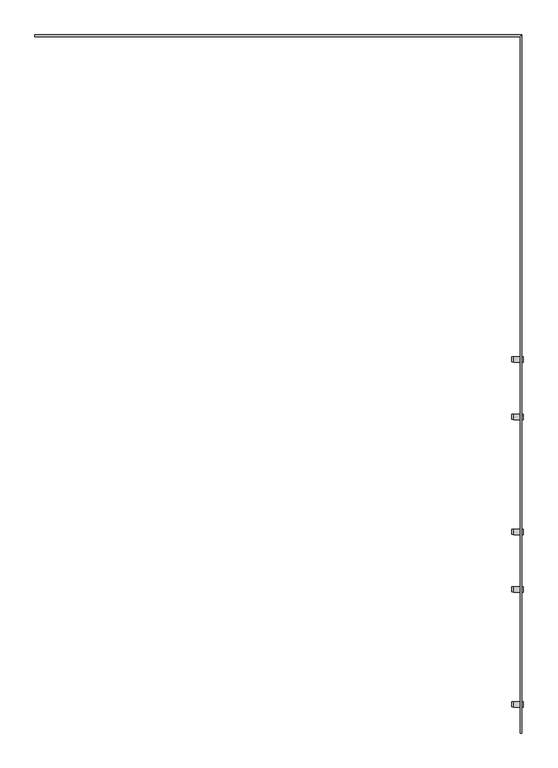
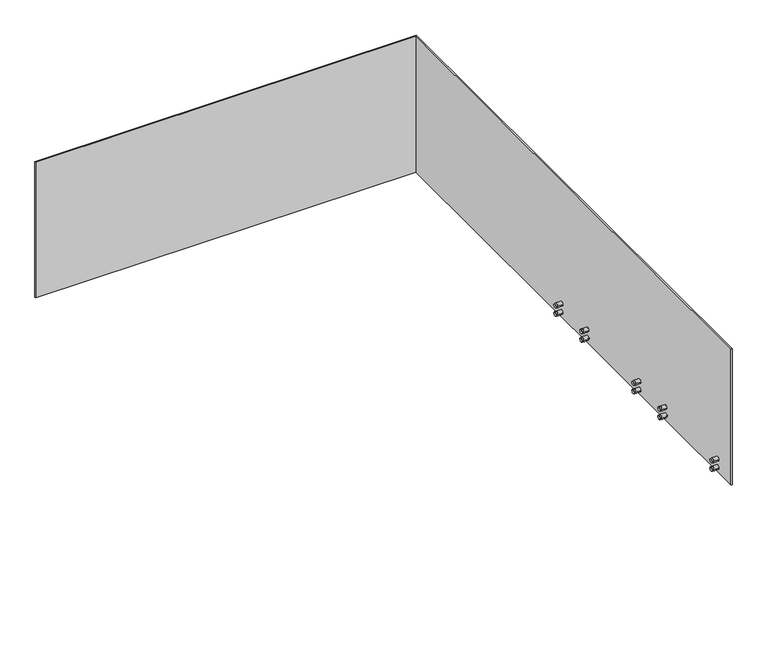
"""IFC4 building model written with IfcOpenShell, lengths in millimetres: railing geometry."""

from ifc_helpers import new_model, si_unit, frame, origin, place, context, project, spatial, circle_curve, faceted_brep, source, transform, mapped, element, save
from ifc_brep_helpers import plane_surface, cylinder_surface, advanced_brep


def railing_3c38474b(model_context):
    return source(origin(), model_context, "Body", "SolidModel", [
        faceted_brep([(-10121.0524845, -31763.3362173, 1100.0), (-10121.0524845, -31763.3362173, -200.0), (-10109.0524845, -31763.3362173, -200.0), (-10109.0524845, -31763.3362173, 1100.0), (-10109.0524845, -26804.8362173, -200.0), (-10109.0524845, -26804.8362173, 1100.0), (-10121.0524845, -26816.8362173, 1100.0), (-13567.5524845, -26816.8362173, 1100.0), (-13567.5524845, -26804.8362173, 1100.0), (-13567.5524845, -26804.8362173, -200.0), (-13567.5524845, -26816.8362173, -200.0), (-10121.0524845, -26816.8362173, -200.0)], [[[0, 1, 2, 3]], [[4, 5, 3, 2]], [[5, 6, 0, 3]], [[7, 8, 9, 10]], [[9, 8, 5, 4]], [[8, 7, 6, 5]], [[10, 9, 4, 11]], [[7, 10, 11, 6]], [[11, 4, 2, 1]], [[6, 11, 1, 0]]]),
        advanced_brep(
        [(-10100.5524845, -31579.1695506, -150.0), (-10100.5524845, -31539.1695506, -150.0), (-10167.5524845, -31579.1695506, -150.0), (-10167.5524845, -31539.1695506, -150.0), (-10167.5524845, -31576.6695506, -150.0), (-10167.5524845, -31541.6695506, -150.0), (-10107.5524845, -31579.1695506, -150.0), (-10107.5524845, -31539.1695506, -150.0), (-10122.5524845, -31539.1695506, -150.0), (-10122.5524845, -31579.1695506, -150.0), (-10182.5524845, -31576.6695506, -150.0), (-10182.5524845, -31541.6695506, -150.0), (-10107.5524845, -31569.1695506, -150.0), (-10107.5524845, -31549.1695506, -150.0), (-10122.5524845, -31569.1695506, -150.0), (-10122.5524845, -31549.1695506, -150.0)],
        [
            (0, 1, circle_curve(frame((-10100.5524845, -31559.1695506, -150.0), z_axis=(1.0, 0.0, 0.0), x_axis=(0.0, 1.0000000000000002, 0.0)), 20.0)),
            (1, 0, circle_curve(frame((-10100.5524845, -31559.1695506, -150.0), z_axis=(1.0, 0.0, 0.0), x_axis=(0.0, 1.0000000000000002, 0.0)), 20.0)),
            (2, 3, circle_curve(frame((-10167.5524845, -31559.1695506, -150.0), z_axis=(-1.0, 0.0, 0.0), x_axis=(0.0, 1.0000000000000002, 0.0)), 20.0)),
            (3, 2, circle_curve(frame((-10167.5524845, -31559.1695506, -150.0), z_axis=(-1.0, 0.0, 0.0), x_axis=(0.0, 1.0000000000000002, 0.0)), 20.0)),
            (4, 5, circle_curve(frame((-10167.5524845, -31559.1695506, -150.0), z_axis=(1.0, 0.0, 0.0), x_axis=(0.0, 1.0000000000000002, 0.0)), 17.5)),
            (5, 4, circle_curve(frame((-10167.5524845, -31559.1695506, -150.0), z_axis=(1.0, 0.0, 0.0), x_axis=(0.0, 1.0000000000000002, 0.0)), 17.5)),
            (0, 6),
            (6, 7, circle_curve(frame((-10107.5524845, -31559.1695506, -150.0), z_axis=(1.0, 0.0, 0.0), x_axis=(0.0, 1.0000000000000002, 0.0)), 20.0)),
            (7, 1),
            (3, 8),
            (8, 9, circle_curve(frame((-10122.5524845, -31559.1695506, -150.0), z_axis=(-1.0, 0.0, 0.0), x_axis=(0.0, 1.0000000000000002, 0.0)), 20.0)),
            (9, 2),
            (7, 6, circle_curve(frame((-10107.5524845, -31559.1695506, -150.0), z_axis=(1.0, 0.0, 0.0), x_axis=(0.0, 1.0000000000000002, 0.0)), 20.0)),
            (9, 8, circle_curve(frame((-10122.5524845, -31559.1695506, -150.0), z_axis=(-1.0, 0.0, 0.0), x_axis=(0.0, 1.0000000000000002, 0.0)), 20.0)),
            (10, 11, circle_curve(frame((-10182.5524845, -31559.1695506, -150.0), z_axis=(-1.0, 0.0, 0.0), x_axis=(0.0, 1.0000000000000002, 0.0)), 17.5)),
            (11, 10, circle_curve(frame((-10182.5524845, -31559.1695506, -150.0), z_axis=(-1.0, 0.0, 0.0), x_axis=(0.0, 1.0000000000000002, 0.0)), 17.5)),
            (11, 5),
            (4, 10),
            (12, 13, circle_curve(frame((-10107.5524845, -31559.1695506, -150.0), z_axis=(1.0, 0.0, 0.0), x_axis=(0.0, 1.0000000000000002, 0.0)), 10.0)),
            (13, 12, circle_curve(frame((-10107.5524845, -31559.1695506, -150.0), z_axis=(1.0, 0.0, 0.0), x_axis=(0.0, 1.0000000000000002, 0.0)), 10.0)),
            (14, 15, circle_curve(frame((-10122.5524845, -31559.1695506, -150.0), z_axis=(-1.0, 0.0, 0.0), x_axis=(0.0, 1.0000000000000002, 0.0)), 10.0)),
            (15, 14, circle_curve(frame((-10122.5524845, -31559.1695506, -150.0), z_axis=(-1.0, 0.0, 0.0), x_axis=(0.0, 1.0000000000000002, 0.0)), 10.0)),
            (13, 15),
            (14, 12),
        ],
        [
            plane_surface(frame((-10100.5524845, -31539.1695506, -150.0), z_axis=(1.0, 0.0, 0.0), x_axis=(0.0, 0.0, 1.0))),
            plane_surface(frame((-10167.5524845, -31539.1695506, -150.0), z_axis=(-1.0, 0.0, 0.0), x_axis=(0.0, 0.0, -1.0))),
            cylinder_surface(frame((-10167.5524845, -31559.1695506, -150.0), z_axis=(1.0000000000000002, 0.0, 0.0), x_axis=(0.0, 1.0000000000000002, 0.0)), 20.0),
            plane_surface(frame((-10182.5524845, -31541.6695506, -150.0), z_axis=(-1.0, 0.0, 0.0), x_axis=(0.0, 0.0, -1.0))),
            cylinder_surface(frame((-10182.5524845, -31559.1695506, -150.0), z_axis=(1.0000000000000002, 0.0, 0.0), x_axis=(0.0, 1.0000000000000002, 0.0)), 17.5),
            plane_surface(frame((-10107.5524845, -31549.1695506, -150.0), z_axis=(-1.0, 0.0, 0.0), x_axis=(0.0, 0.0, -1.0))),
            plane_surface(frame((-10122.5524845, -31549.1695506, -150.0), z_axis=(1.0, 0.0, 0.0), x_axis=(0.0, 0.0, 1.0))),
            cylinder_surface(frame((-10122.5524845, -31559.1695506, -150.0), z_axis=(-1.0000000000000002, 0.0, 0.0), x_axis=(0.0, 1.0000000000000002, 0.0)), 10.0),
        ],
        [
            (0, [[1, 2]]),
            (1, [[3, 4], [5, 6]]),
            (2, [[-1, 7, 8, 9]]),
            (2, [[-4, 10, 11, 12]]),
            (2, [[-2, -9, 13, -7]]),
            (2, [[-3, -12, 14, -10]]),
            (3, [[15, 16]]),
            (4, [[-16, 17, -5, 18]]),
            (4, [[-15, -18, -6, -17]]),
            (5, [[-8, -13], [19, 20]]),
            (6, [[-11, -14], [21, 22]]),
            (7, [[-20, 23, -21, 24]]),
            (7, [[-19, -24, -22, -23]]),
        ],
    ),
        advanced_brep(
        [(-10100.5524845, -31579.1695506, -70.0), (-10100.5524845, -31539.1695506, -70.0), (-10167.5524845, -31579.1695506, -70.0), (-10167.5524845, -31539.1695506, -70.0), (-10167.5524845, -31576.6695506, -70.0), (-10167.5524845, -31541.6695506, -70.0), (-10107.5524845, -31579.1695506, -70.0), (-10107.5524845, -31539.1695506, -70.0), (-10122.5524845, -31539.1695506, -70.0), (-10122.5524845, -31579.1695506, -70.0), (-10182.5524845, -31576.6695506, -70.0), (-10182.5524845, -31541.6695506, -70.0), (-10107.5524845, -31569.1695506, -70.0), (-10107.5524845, -31549.1695506, -70.0), (-10122.5524845, -31569.1695506, -70.0), (-10122.5524845, -31549.1695506, -70.0)],
        [
            (0, 1, circle_curve(frame((-10100.5524845, -31559.1695506, -70.0), z_axis=(1.0, 0.0, 0.0), x_axis=(0.0, 1.0000000000000002, 0.0)), 20.0)),
            (1, 0, circle_curve(frame((-10100.5524845, -31559.1695506, -70.0), z_axis=(1.0, 0.0, 0.0), x_axis=(0.0, 1.0000000000000002, 0.0)), 20.0)),
            (2, 3, circle_curve(frame((-10167.5524845, -31559.1695506, -70.0), z_axis=(-1.0, 0.0, 0.0), x_axis=(0.0, 1.0000000000000002, 0.0)), 20.0)),
            (3, 2, circle_curve(frame((-10167.5524845, -31559.1695506, -70.0), z_axis=(-1.0, 0.0, 0.0), x_axis=(0.0, 1.0000000000000002, 0.0)), 20.0)),
            (4, 5, circle_curve(frame((-10167.5524845, -31559.1695506, -70.0), z_axis=(1.0, 0.0, 0.0), x_axis=(0.0, 1.0000000000000002, 0.0)), 17.5)),
            (5, 4, circle_curve(frame((-10167.5524845, -31559.1695506, -70.0), z_axis=(1.0, 0.0, 0.0), x_axis=(0.0, 1.0000000000000002, 0.0)), 17.5)),
            (0, 6),
            (6, 7, circle_curve(frame((-10107.5524845, -31559.1695506, -70.0), z_axis=(1.0, 0.0, 0.0), x_axis=(0.0, 1.0000000000000002, 0.0)), 20.0)),
            (7, 1),
            (3, 8),
            (8, 9, circle_curve(frame((-10122.5524845, -31559.1695506, -70.0), z_axis=(-1.0, 0.0, 0.0), x_axis=(0.0, 1.0000000000000002, 0.0)), 20.0)),
            (9, 2),
            (7, 6, circle_curve(frame((-10107.5524845, -31559.1695506, -70.0), z_axis=(1.0, 0.0, 0.0), x_axis=(0.0, 1.0000000000000002, 0.0)), 20.0)),
            (9, 8, circle_curve(frame((-10122.5524845, -31559.1695506, -70.0), z_axis=(-1.0, 0.0, 0.0), x_axis=(0.0, 1.0000000000000002, 0.0)), 20.0)),
            (10, 11, circle_curve(frame((-10182.5524845, -31559.1695506, -70.0), z_axis=(-1.0, 0.0, 0.0), x_axis=(0.0, 1.0000000000000002, 0.0)), 17.5)),
            (11, 10, circle_curve(frame((-10182.5524845, -31559.1695506, -70.0), z_axis=(-1.0, 0.0, 0.0), x_axis=(0.0, 1.0000000000000002, 0.0)), 17.5)),
            (11, 5),
            (4, 10),
            (12, 13, circle_curve(frame((-10107.5524845, -31559.1695506, -70.0), z_axis=(1.0, 0.0, 0.0), x_axis=(0.0, 1.0000000000000002, 0.0)), 10.0)),
            (13, 12, circle_curve(frame((-10107.5524845, -31559.1695506, -70.0), z_axis=(1.0, 0.0, 0.0), x_axis=(0.0, 1.0000000000000002, 0.0)), 10.0)),
            (14, 15, circle_curve(frame((-10122.5524845, -31559.1695506, -70.0), z_axis=(-1.0, 0.0, 0.0), x_axis=(0.0, 1.0000000000000002, 0.0)), 10.0)),
            (15, 14, circle_curve(frame((-10122.5524845, -31559.1695506, -70.0), z_axis=(-1.0, 0.0, 0.0), x_axis=(0.0, 1.0000000000000002, 0.0)), 10.0)),
            (13, 15),
            (14, 12),
        ],
        [
            plane_surface(frame((-10100.5524845, -31539.1695506, -70.0), z_axis=(1.0, 0.0, 0.0), x_axis=(0.0, 0.0, 1.0))),
            plane_surface(frame((-10167.5524845, -31539.1695506, -70.0), z_axis=(-1.0, 0.0, 0.0), x_axis=(0.0, 0.0, -1.0))),
            cylinder_surface(frame((-10167.5524845, -31559.1695506, -70.0), z_axis=(1.0000000000000002, 0.0, 0.0), x_axis=(0.0, 1.0000000000000002, 0.0)), 20.0),
            plane_surface(frame((-10182.5524845, -31541.6695506, -70.0), z_axis=(-1.0, 0.0, 0.0), x_axis=(0.0, 0.0, -1.0))),
            cylinder_surface(frame((-10182.5524845, -31559.1695506, -70.0), z_axis=(1.0000000000000002, 0.0, 0.0), x_axis=(0.0, 1.0000000000000002, 0.0)), 17.5),
            plane_surface(frame((-10107.5524845, -31549.1695506, -70.0), z_axis=(-1.0, 0.0, 0.0), x_axis=(0.0, 0.0, -1.0))),
            plane_surface(frame((-10122.5524845, -31549.1695506, -70.0), z_axis=(1.0, 0.0, 0.0), x_axis=(0.0, 0.0, 1.0))),
            cylinder_surface(frame((-10122.5524845, -31559.1695506, -70.0), z_axis=(-1.0000000000000002, 0.0, 0.0), x_axis=(0.0, 1.0000000000000002, 0.0)), 10.0),
        ],
        [
            (0, [[1, 2]]),
            (1, [[3, 4], [5, 6]]),
            (2, [[-1, 7, 8, 9]]),
            (2, [[-4, 10, 11, 12]]),
            (2, [[-2, -9, 13, -7]]),
            (2, [[-3, -12, 14, -10]]),
            (3, [[15, 16]]),
            (4, [[-16, 17, -5, 18]]),
            (4, [[-15, -18, -6, -17]]),
            (5, [[-8, -13], [19, 20]]),
            (6, [[-11, -14], [21, 22]]),
            (7, [[-20, 23, -21, 24]]),
            (7, [[-19, -24, -22, -23]]),
        ],
    ),
        advanced_brep(
        [(-10100.5524845, -30762.502884, -150.0), (-10100.5524845, -30722.502884, -150.0), (-10167.5524845, -30762.502884, -150.0), (-10167.5524845, -30722.502884, -150.0), (-10167.5524845, -30760.002884, -150.0), (-10167.5524845, -30725.002884, -150.0), (-10107.5524845, -30762.502884, -150.0), (-10107.5524845, -30722.502884, -150.0), (-10122.5524845, -30722.502884, -150.0), (-10122.5524845, -30762.502884, -150.0), (-10182.5524845, -30760.002884, -150.0), (-10182.5524845, -30725.002884, -150.0), (-10107.5524845, -30752.502884, -150.0), (-10107.5524845, -30732.502884, -150.0), (-10122.5524845, -30752.502884, -150.0), (-10122.5524845, -30732.502884, -150.0)],
        [
            (0, 1, circle_curve(frame((-10100.5524845, -30742.502884, -150.0), z_axis=(1.0, 0.0, 0.0), x_axis=(0.0, 1.0000000000000002, 0.0)), 20.0)),
            (1, 0, circle_curve(frame((-10100.5524845, -30742.502884, -150.0), z_axis=(1.0, 0.0, 0.0), x_axis=(0.0, 1.0000000000000002, 0.0)), 20.0)),
            (2, 3, circle_curve(frame((-10167.5524845, -30742.502884, -150.0), z_axis=(-1.0, 0.0, 0.0), x_axis=(0.0, 1.0000000000000002, 0.0)), 20.0)),
            (3, 2, circle_curve(frame((-10167.5524845, -30742.502884, -150.0), z_axis=(-1.0, 0.0, 0.0), x_axis=(0.0, 1.0000000000000002, 0.0)), 20.0)),
            (4, 5, circle_curve(frame((-10167.5524845, -30742.502884, -150.0), z_axis=(1.0, 0.0, 0.0), x_axis=(0.0, 1.0000000000000002, 0.0)), 17.5)),
            (5, 4, circle_curve(frame((-10167.5524845, -30742.502884, -150.0), z_axis=(1.0, 0.0, 0.0), x_axis=(0.0, 1.0000000000000002, 0.0)), 17.5)),
            (0, 6),
            (6, 7, circle_curve(frame((-10107.5524845, -30742.502884, -150.0), z_axis=(1.0, 0.0, 0.0), x_axis=(0.0, 1.0000000000000002, 0.0)), 20.0)),
            (7, 1),
            (3, 8),
            (8, 9, circle_curve(frame((-10122.5524845, -30742.502884, -150.0), z_axis=(-1.0, 0.0, 0.0), x_axis=(0.0, 1.0000000000000002, 0.0)), 20.0)),
            (9, 2),
            (7, 6, circle_curve(frame((-10107.5524845, -30742.502884, -150.0), z_axis=(1.0, 0.0, 0.0), x_axis=(0.0, 1.0000000000000002, 0.0)), 20.0)),
            (9, 8, circle_curve(frame((-10122.5524845, -30742.502884, -150.0), z_axis=(-1.0, 0.0, 0.0), x_axis=(0.0, 1.0000000000000002, 0.0)), 20.0)),
            (10, 11, circle_curve(frame((-10182.5524845, -30742.502884, -150.0), z_axis=(-1.0, 0.0, 0.0), x_axis=(0.0, 1.0000000000000002, 0.0)), 17.5)),
            (11, 10, circle_curve(frame((-10182.5524845, -30742.502884, -150.0), z_axis=(-1.0, 0.0, 0.0), x_axis=(0.0, 1.0000000000000002, 0.0)), 17.5)),
            (11, 5),
            (4, 10),
            (12, 13, circle_curve(frame((-10107.5524845, -30742.502884, -150.0), z_axis=(1.0, 0.0, 0.0), x_axis=(0.0, 1.0000000000000002, 0.0)), 10.0)),
            (13, 12, circle_curve(frame((-10107.5524845, -30742.502884, -150.0), z_axis=(1.0, 0.0, 0.0), x_axis=(0.0, 1.0000000000000002, 0.0)), 10.0)),
            (14, 15, circle_curve(frame((-10122.5524845, -30742.502884, -150.0), z_axis=(-1.0, 0.0, 0.0), x_axis=(0.0, 1.0000000000000002, 0.0)), 10.0)),
            (15, 14, circle_curve(frame((-10122.5524845, -30742.502884, -150.0), z_axis=(-1.0, 0.0, 0.0), x_axis=(0.0, 1.0000000000000002, 0.0)), 10.0)),
            (13, 15),
            (14, 12),
        ],
        [
            plane_surface(frame((-10100.5524845, -30722.502884, -150.0), z_axis=(1.0, 0.0, 0.0), x_axis=(0.0, 0.0, 1.0))),
            plane_surface(frame((-10167.5524845, -30722.502884, -150.0), z_axis=(-1.0, 0.0, 0.0), x_axis=(0.0, 0.0, -1.0))),
            cylinder_surface(frame((-10167.5524845, -30742.502884, -150.0), z_axis=(1.0000000000000002, 0.0, 0.0), x_axis=(0.0, 1.0000000000000002, 0.0)), 20.0),
            plane_surface(frame((-10182.5524845, -30725.002884, -150.0), z_axis=(-1.0, 0.0, 0.0), x_axis=(0.0, 0.0, -1.0))),
            cylinder_surface(frame((-10182.5524845, -30742.502884, -150.0), z_axis=(1.0000000000000002, 0.0, 0.0), x_axis=(0.0, 1.0000000000000002, 0.0)), 17.5),
            plane_surface(frame((-10107.5524845, -30732.502884, -150.0), z_axis=(-1.0, 0.0, 0.0), x_axis=(0.0, 0.0, -1.0))),
            plane_surface(frame((-10122.5524845, -30732.502884, -150.0), z_axis=(1.0, 0.0, 0.0), x_axis=(0.0, 0.0, 1.0))),
            cylinder_surface(frame((-10122.5524845, -30742.502884, -150.0), z_axis=(-1.0000000000000002, 0.0, 0.0), x_axis=(0.0, 1.0000000000000002, 0.0)), 10.0),
        ],
        [
            (0, [[1, 2]]),
            (1, [[3, 4], [5, 6]]),
            (2, [[-1, 7, 8, 9]]),
            (2, [[-4, 10, 11, 12]]),
            (2, [[-2, -9, 13, -7]]),
            (2, [[-3, -12, 14, -10]]),
            (3, [[15, 16]]),
            (4, [[-16, 17, -5, 18]]),
            (4, [[-15, -18, -6, -17]]),
            (5, [[-8, -13], [19, 20]]),
            (6, [[-11, -14], [21, 22]]),
            (7, [[-20, 23, -21, 24]]),
            (7, [[-19, -24, -22, -23]]),
        ],
    ),
        advanced_brep(
        [(-10100.5524845, -30762.502884, -70.0), (-10100.5524845, -30722.502884, -70.0), (-10167.5524845, -30762.502884, -70.0), (-10167.5524845, -30722.502884, -70.0), (-10167.5524845, -30760.002884, -70.0), (-10167.5524845, -30725.002884, -70.0), (-10107.5524845, -30762.502884, -70.0), (-10107.5524845, -30722.502884, -70.0), (-10122.5524845, -30722.502884, -70.0), (-10122.5524845, -30762.502884, -70.0), (-10182.5524845, -30760.002884, -70.0), (-10182.5524845, -30725.002884, -70.0), (-10107.5524845, -30752.502884, -70.0), (-10107.5524845, -30732.502884, -70.0), (-10122.5524845, -30752.502884, -70.0), (-10122.5524845, -30732.502884, -70.0)],
        [
            (0, 1, circle_curve(frame((-10100.5524845, -30742.502884, -70.0), z_axis=(1.0, 0.0, 0.0), x_axis=(0.0, 1.0000000000000002, 0.0)), 20.0)),
            (1, 0, circle_curve(frame((-10100.5524845, -30742.502884, -70.0), z_axis=(1.0, 0.0, 0.0), x_axis=(0.0, 1.0000000000000002, 0.0)), 20.0)),
            (2, 3, circle_curve(frame((-10167.5524845, -30742.502884, -70.0), z_axis=(-1.0, 0.0, 0.0), x_axis=(0.0, 1.0000000000000002, 0.0)), 20.0)),
            (3, 2, circle_curve(frame((-10167.5524845, -30742.502884, -70.0), z_axis=(-1.0, 0.0, 0.0), x_axis=(0.0, 1.0000000000000002, 0.0)), 20.0)),
            (4, 5, circle_curve(frame((-10167.5524845, -30742.502884, -70.0), z_axis=(1.0, 0.0, 0.0), x_axis=(0.0, 1.0000000000000002, 0.0)), 17.5)),
            (5, 4, circle_curve(frame((-10167.5524845, -30742.502884, -70.0), z_axis=(1.0, 0.0, 0.0), x_axis=(0.0, 1.0000000000000002, 0.0)), 17.5)),
            (0, 6),
            (6, 7, circle_curve(frame((-10107.5524845, -30742.502884, -70.0), z_axis=(1.0, 0.0, 0.0), x_axis=(0.0, 1.0000000000000002, 0.0)), 20.0)),
            (7, 1),
            (3, 8),
            (8, 9, circle_curve(frame((-10122.5524845, -30742.502884, -70.0), z_axis=(-1.0, 0.0, 0.0), x_axis=(0.0, 1.0000000000000002, 0.0)), 20.0)),
            (9, 2),
            (7, 6, circle_curve(frame((-10107.5524845, -30742.502884, -70.0), z_axis=(1.0, 0.0, 0.0), x_axis=(0.0, 1.0000000000000002, 0.0)), 20.0)),
            (9, 8, circle_curve(frame((-10122.5524845, -30742.502884, -70.0), z_axis=(-1.0, 0.0, 0.0), x_axis=(0.0, 1.0000000000000002, 0.0)), 20.0)),
            (10, 11, circle_curve(frame((-10182.5524845, -30742.502884, -70.0), z_axis=(-1.0, 0.0, 0.0), x_axis=(0.0, 1.0000000000000002, 0.0)), 17.5)),
            (11, 10, circle_curve(frame((-10182.5524845, -30742.502884, -70.0), z_axis=(-1.0, 0.0, 0.0), x_axis=(0.0, 1.0000000000000002, 0.0)), 17.5)),
            (11, 5),
            (4, 10),
            (12, 13, circle_curve(frame((-10107.5524845, -30742.502884, -70.0), z_axis=(1.0, 0.0, 0.0), x_axis=(0.0, 1.0000000000000002, 0.0)), 10.0)),
            (13, 12, circle_curve(frame((-10107.5524845, -30742.502884, -70.0), z_axis=(1.0, 0.0, 0.0), x_axis=(0.0, 1.0000000000000002, 0.0)), 10.0)),
            (14, 15, circle_curve(frame((-10122.5524845, -30742.502884, -70.0), z_axis=(-1.0, 0.0, 0.0), x_axis=(0.0, 1.0000000000000002, 0.0)), 10.0)),
            (15, 14, circle_curve(frame((-10122.5524845, -30742.502884, -70.0), z_axis=(-1.0, 0.0, 0.0), x_axis=(0.0, 1.0000000000000002, 0.0)), 10.0)),
            (13, 15),
            (14, 12),
        ],
        [
            plane_surface(frame((-10100.5524845, -30722.502884, -70.0), z_axis=(1.0, 0.0, 0.0), x_axis=(0.0, 0.0, 1.0))),
            plane_surface(frame((-10167.5524845, -30722.502884, -70.0), z_axis=(-1.0, 0.0, 0.0), x_axis=(0.0, 0.0, -1.0))),
            cylinder_surface(frame((-10167.5524845, -30742.502884, -70.0), z_axis=(1.0000000000000002, 0.0, 0.0), x_axis=(0.0, 1.0000000000000002, 0.0)), 20.0),
            plane_surface(frame((-10182.5524845, -30725.002884, -70.0), z_axis=(-1.0, 0.0, 0.0), x_axis=(0.0, 0.0, -1.0))),
            cylinder_surface(frame((-10182.5524845, -30742.502884, -70.0), z_axis=(1.0000000000000002, 0.0, 0.0), x_axis=(0.0, 1.0000000000000002, 0.0)), 17.5),
            plane_surface(frame((-10107.5524845, -30732.502884, -70.0), z_axis=(-1.0, 0.0, 0.0), x_axis=(0.0, 0.0, -1.0))),
            plane_surface(frame((-10122.5524845, -30732.502884, -70.0), z_axis=(1.0, 0.0, 0.0), x_axis=(0.0, 0.0, 1.0))),
            cylinder_surface(frame((-10122.5524845, -30742.502884, -70.0), z_axis=(-1.0000000000000002, 0.0, 0.0), x_axis=(0.0, 1.0000000000000002, 0.0)), 10.0),
        ],
        [
            (0, [[1, 2]]),
            (1, [[3, 4], [5, 6]]),
            (2, [[-1, 7, 8, 9]]),
            (2, [[-4, 10, 11, 12]]),
            (2, [[-2, -9, 13, -7]]),
            (2, [[-3, -12, 14, -10]]),
            (3, [[15, 16]]),
            (4, [[-16, 17, -5, 18]]),
            (4, [[-15, -18, -6, -17]]),
            (5, [[-8, -13], [19, 20]]),
            (6, [[-11, -14], [21, 22]]),
            (7, [[-20, 23, -21, 24]]),
            (7, [[-19, -24, -22, -23]]),
        ],
    ),
        advanced_brep(
        [(-10100.5524845, -30354.1695506, -150.0), (-10100.5524845, -30314.1695506, -150.0), (-10167.5524845, -30354.1695506, -150.0), (-10167.5524845, -30314.1695506, -150.0), (-10167.5524845, -30351.6695506, -150.0), (-10167.5524845, -30316.6695506, -150.0), (-10107.5524845, -30354.1695506, -150.0), (-10107.5524845, -30314.1695506, -150.0), (-10122.5524845, -30314.1695506, -150.0), (-10122.5524845, -30354.1695506, -150.0), (-10182.5524845, -30351.6695506, -150.0), (-10182.5524845, -30316.6695506, -150.0), (-10107.5524845, -30344.1695506, -150.0), (-10107.5524845, -30324.1695506, -150.0), (-10122.5524845, -30344.1695506, -150.0), (-10122.5524845, -30324.1695506, -150.0)],
        [
            (0, 1, circle_curve(frame((-10100.5524845, -30334.1695506, -150.0), z_axis=(1.0, 0.0, 0.0), x_axis=(0.0, 1.0000000000000002, 0.0)), 20.0)),
            (1, 0, circle_curve(frame((-10100.5524845, -30334.1695506, -150.0), z_axis=(1.0, 0.0, 0.0), x_axis=(0.0, 1.0000000000000002, 0.0)), 20.0)),
            (2, 3, circle_curve(frame((-10167.5524845, -30334.1695506, -150.0), z_axis=(-1.0, 0.0, 0.0), x_axis=(0.0, 1.0000000000000002, 0.0)), 20.0)),
            (3, 2, circle_curve(frame((-10167.5524845, -30334.1695506, -150.0), z_axis=(-1.0, 0.0, 0.0), x_axis=(0.0, 1.0000000000000002, 0.0)), 20.0)),
            (4, 5, circle_curve(frame((-10167.5524845, -30334.1695506, -150.0), z_axis=(1.0, 0.0, 0.0), x_axis=(0.0, 1.0000000000000002, 0.0)), 17.5)),
            (5, 4, circle_curve(frame((-10167.5524845, -30334.1695506, -150.0), z_axis=(1.0, 0.0, 0.0), x_axis=(0.0, 1.0000000000000002, 0.0)), 17.5)),
            (0, 6),
            (6, 7, circle_curve(frame((-10107.5524845, -30334.1695506, -150.0), z_axis=(1.0, 0.0, 0.0), x_axis=(0.0, 1.0000000000000002, 0.0)), 20.0)),
            (7, 1),
            (3, 8),
            (8, 9, circle_curve(frame((-10122.5524845, -30334.1695506, -150.0), z_axis=(-1.0, 0.0, 0.0), x_axis=(0.0, 1.0000000000000002, 0.0)), 20.0)),
            (9, 2),
            (7, 6, circle_curve(frame((-10107.5524845, -30334.1695506, -150.0), z_axis=(1.0, 0.0, 0.0), x_axis=(0.0, 1.0000000000000002, 0.0)), 20.0)),
            (9, 8, circle_curve(frame((-10122.5524845, -30334.1695506, -150.0), z_axis=(-1.0, 0.0, 0.0), x_axis=(0.0, 1.0000000000000002, 0.0)), 20.0)),
            (10, 11, circle_curve(frame((-10182.5524845, -30334.1695506, -150.0), z_axis=(-1.0, 0.0, 0.0), x_axis=(0.0, 1.0000000000000002, 0.0)), 17.5)),
            (11, 10, circle_curve(frame((-10182.5524845, -30334.1695506, -150.0), z_axis=(-1.0, 0.0, 0.0), x_axis=(0.0, 1.0000000000000002, 0.0)), 17.5)),
            (11, 5),
            (4, 10),
            (12, 13, circle_curve(frame((-10107.5524845, -30334.1695506, -150.0), z_axis=(1.0, 0.0, 0.0), x_axis=(0.0, 1.0000000000000002, 0.0)), 10.0)),
            (13, 12, circle_curve(frame((-10107.5524845, -30334.1695506, -150.0), z_axis=(1.0, 0.0, 0.0), x_axis=(0.0, 1.0000000000000002, 0.0)), 10.0)),
            (14, 15, circle_curve(frame((-10122.5524845, -30334.1695506, -150.0), z_axis=(-1.0, 0.0, 0.0), x_axis=(0.0, 1.0000000000000002, 0.0)), 10.0)),
            (15, 14, circle_curve(frame((-10122.5524845, -30334.1695506, -150.0), z_axis=(-1.0, 0.0, 0.0), x_axis=(0.0, 1.0000000000000002, 0.0)), 10.0)),
            (13, 15),
            (14, 12),
        ],
        [
            plane_surface(frame((-10100.5524845, -30314.1695506, -150.0), z_axis=(1.0, 0.0, 0.0), x_axis=(0.0, 0.0, 1.0))),
            plane_surface(frame((-10167.5524845, -30314.1695506, -150.0), z_axis=(-1.0, 0.0, 0.0), x_axis=(0.0, 0.0, -1.0))),
            cylinder_surface(frame((-10167.5524845, -30334.1695506, -150.0), z_axis=(1.0000000000000002, 0.0, 0.0), x_axis=(0.0, 1.0000000000000002, 0.0)), 20.0),
            plane_surface(frame((-10182.5524845, -30316.6695506, -150.0), z_axis=(-1.0, 0.0, 0.0), x_axis=(0.0, 0.0, -1.0))),
            cylinder_surface(frame((-10182.5524845, -30334.1695506, -150.0), z_axis=(1.0000000000000002, 0.0, 0.0), x_axis=(0.0, 1.0000000000000002, 0.0)), 17.5),
            plane_surface(frame((-10107.5524845, -30324.1695506, -150.0), z_axis=(-1.0, 0.0, 0.0), x_axis=(0.0, 0.0, -1.0))),
            plane_surface(frame((-10122.5524845, -30324.1695506, -150.0), z_axis=(1.0, 0.0, 0.0), x_axis=(0.0, 0.0, 1.0))),
            cylinder_surface(frame((-10122.5524845, -30334.1695506, -150.0), z_axis=(-1.0000000000000002, 0.0, 0.0), x_axis=(0.0, 1.0000000000000002, 0.0)), 10.0),
        ],
        [
            (0, [[1, 2]]),
            (1, [[3, 4], [5, 6]]),
            (2, [[-1, 7, 8, 9]]),
            (2, [[-4, 10, 11, 12]]),
            (2, [[-2, -9, 13, -7]]),
            (2, [[-3, -12, 14, -10]]),
            (3, [[15, 16]]),
            (4, [[-16, 17, -5, 18]]),
            (4, [[-15, -18, -6, -17]]),
            (5, [[-8, -13], [19, 20]]),
            (6, [[-11, -14], [21, 22]]),
            (7, [[-20, 23, -21, 24]]),
            (7, [[-19, -24, -22, -23]]),
        ],
    ),
        advanced_brep(
        [(-10100.5524845, -30354.1695506, -70.0), (-10100.5524845, -30314.1695506, -70.0), (-10167.5524845, -30354.1695506, -70.0), (-10167.5524845, -30314.1695506, -70.0), (-10167.5524845, -30351.6695506, -70.0), (-10167.5524845, -30316.6695506, -70.0), (-10107.5524845, -30354.1695506, -70.0), (-10107.5524845, -30314.1695506, -70.0), (-10122.5524845, -30314.1695506, -70.0), (-10122.5524845, -30354.1695506, -70.0), (-10182.5524845, -30351.6695506, -70.0), (-10182.5524845, -30316.6695506, -70.0), (-10107.5524845, -30344.1695506, -70.0), (-10107.5524845, -30324.1695506, -70.0), (-10122.5524845, -30344.1695506, -70.0), (-10122.5524845, -30324.1695506, -70.0)],
        [
            (0, 1, circle_curve(frame((-10100.5524845, -30334.1695506, -70.0), z_axis=(1.0, 0.0, 0.0), x_axis=(0.0, 1.0000000000000002, 0.0)), 20.0)),
            (1, 0, circle_curve(frame((-10100.5524845, -30334.1695506, -70.0), z_axis=(1.0, 0.0, 0.0), x_axis=(0.0, 1.0000000000000002, 0.0)), 20.0)),
            (2, 3, circle_curve(frame((-10167.5524845, -30334.1695506, -70.0), z_axis=(-1.0, 0.0, 0.0), x_axis=(0.0, 1.0000000000000002, 0.0)), 20.0)),
            (3, 2, circle_curve(frame((-10167.5524845, -30334.1695506, -70.0), z_axis=(-1.0, 0.0, 0.0), x_axis=(0.0, 1.0000000000000002, 0.0)), 20.0)),
            (4, 5, circle_curve(frame((-10167.5524845, -30334.1695506, -70.0), z_axis=(1.0, 0.0, 0.0), x_axis=(0.0, 1.0000000000000002, 0.0)), 17.5)),
            (5, 4, circle_curve(frame((-10167.5524845, -30334.1695506, -70.0), z_axis=(1.0, 0.0, 0.0), x_axis=(0.0, 1.0000000000000002, 0.0)), 17.5)),
            (0, 6),
            (6, 7, circle_curve(frame((-10107.5524845, -30334.1695506, -70.0), z_axis=(1.0, 0.0, 0.0), x_axis=(0.0, 1.0000000000000002, 0.0)), 20.0)),
            (7, 1),
            (3, 8),
            (8, 9, circle_curve(frame((-10122.5524845, -30334.1695506, -70.0), z_axis=(-1.0, 0.0, 0.0), x_axis=(0.0, 1.0000000000000002, 0.0)), 20.0)),
            (9, 2),
            (7, 6, circle_curve(frame((-10107.5524845, -30334.1695506, -70.0), z_axis=(1.0, 0.0, 0.0), x_axis=(0.0, 1.0000000000000002, 0.0)), 20.0)),
            (9, 8, circle_curve(frame((-10122.5524845, -30334.1695506, -70.0), z_axis=(-1.0, 0.0, 0.0), x_axis=(0.0, 1.0000000000000002, 0.0)), 20.0)),
            (10, 11, circle_curve(frame((-10182.5524845, -30334.1695506, -70.0), z_axis=(-1.0, 0.0, 0.0), x_axis=(0.0, 1.0000000000000002, 0.0)), 17.5)),
            (11, 10, circle_curve(frame((-10182.5524845, -30334.1695506, -70.0), z_axis=(-1.0, 0.0, 0.0), x_axis=(0.0, 1.0000000000000002, 0.0)), 17.5)),
            (11, 5),
            (4, 10),
            (12, 13, circle_curve(frame((-10107.5524845, -30334.1695506, -70.0), z_axis=(1.0, 0.0, 0.0), x_axis=(0.0, 1.0000000000000002, 0.0)), 10.0)),
            (13, 12, circle_curve(frame((-10107.5524845, -30334.1695506, -70.0), z_axis=(1.0, 0.0, 0.0), x_axis=(0.0, 1.0000000000000002, 0.0)), 10.0)),
            (14, 15, circle_curve(frame((-10122.5524845, -30334.1695506, -70.0), z_axis=(-1.0, 0.0, 0.0), x_axis=(0.0, 1.0000000000000002, 0.0)), 10.0)),
            (15, 14, circle_curve(frame((-10122.5524845, -30334.1695506, -70.0), z_axis=(-1.0, 0.0, 0.0), x_axis=(0.0, 1.0000000000000002, 0.0)), 10.0)),
            (13, 15),
            (14, 12),
        ],
        [
            plane_surface(frame((-10100.5524845, -30314.1695506, -70.0), z_axis=(1.0, 0.0, 0.0), x_axis=(0.0, 0.0, 1.0))),
            plane_surface(frame((-10167.5524845, -30314.1695506, -70.0), z_axis=(-1.0, 0.0, 0.0), x_axis=(0.0, 0.0, -1.0))),
            cylinder_surface(frame((-10167.5524845, -30334.1695506, -70.0), z_axis=(1.0000000000000002, 0.0, 0.0), x_axis=(0.0, 1.0000000000000002, 0.0)), 20.0),
            plane_surface(frame((-10182.5524845, -30316.6695506, -70.0), z_axis=(-1.0, 0.0, 0.0), x_axis=(0.0, 0.0, -1.0))),
            cylinder_surface(frame((-10182.5524845, -30334.1695506, -70.0), z_axis=(1.0000000000000002, 0.0, 0.0), x_axis=(0.0, 1.0000000000000002, 0.0)), 17.5),
            plane_surface(frame((-10107.5524845, -30324.1695506, -70.0), z_axis=(-1.0, 0.0, 0.0), x_axis=(0.0, 0.0, -1.0))),
            plane_surface(frame((-10122.5524845, -30324.1695506, -70.0), z_axis=(1.0, 0.0, 0.0), x_axis=(0.0, 0.0, 1.0))),
            cylinder_surface(frame((-10122.5524845, -30334.1695506, -70.0), z_axis=(-1.0000000000000002, 0.0, 0.0), x_axis=(0.0, 1.0000000000000002, 0.0)), 10.0),
        ],
        [
            (0, [[1, 2]]),
            (1, [[3, 4], [5, 6]]),
            (2, [[-1, 7, 8, 9]]),
            (2, [[-4, 10, 11, 12]]),
            (2, [[-2, -9, 13, -7]]),
            (2, [[-3, -12, 14, -10]]),
            (3, [[15, 16]]),
            (4, [[-16, 17, -5, 18]]),
            (4, [[-15, -18, -6, -17]]),
            (5, [[-8, -13], [19, 20]]),
            (6, [[-11, -14], [21, 22]]),
            (7, [[-20, 23, -21, 24]]),
            (7, [[-19, -24, -22, -23]]),
        ],
    ),
        advanced_brep(
        [(-10100.5524845, -29537.502884, -150.0), (-10100.5524845, -29497.502884, -150.0), (-10167.5524845, -29537.502884, -150.0), (-10167.5524845, -29497.502884, -150.0), (-10167.5524845, -29535.002884, -150.0), (-10167.5524845, -29500.002884, -150.0), (-10107.5524845, -29537.502884, -150.0), (-10107.5524845, -29497.502884, -150.0), (-10122.5524845, -29497.502884, -150.0), (-10122.5524845, -29537.502884, -150.0), (-10182.5524845, -29535.002884, -150.0), (-10182.5524845, -29500.002884, -150.0), (-10107.5524845, -29527.502884, -150.0), (-10107.5524845, -29507.502884, -150.0), (-10122.5524845, -29527.502884, -150.0), (-10122.5524845, -29507.502884, -150.0)],
        [
            (0, 1, circle_curve(frame((-10100.5524845, -29517.502884, -150.0), z_axis=(1.0, 0.0, 0.0), x_axis=(0.0, 1.0000000000000002, 0.0)), 20.0)),
            (1, 0, circle_curve(frame((-10100.5524845, -29517.502884, -150.0), z_axis=(1.0, 0.0, 0.0), x_axis=(0.0, 1.0000000000000002, 0.0)), 20.0)),
            (2, 3, circle_curve(frame((-10167.5524845, -29517.502884, -150.0), z_axis=(-1.0, 0.0, 0.0), x_axis=(0.0, 1.0000000000000002, 0.0)), 20.0)),
            (3, 2, circle_curve(frame((-10167.5524845, -29517.502884, -150.0), z_axis=(-1.0, 0.0, 0.0), x_axis=(0.0, 1.0000000000000002, 0.0)), 20.0)),
            (4, 5, circle_curve(frame((-10167.5524845, -29517.502884, -150.0), z_axis=(1.0, 0.0, 0.0), x_axis=(0.0, 1.0000000000000002, 0.0)), 17.5)),
            (5, 4, circle_curve(frame((-10167.5524845, -29517.502884, -150.0), z_axis=(1.0, 0.0, 0.0), x_axis=(0.0, 1.0000000000000002, 0.0)), 17.5)),
            (0, 6),
            (6, 7, circle_curve(frame((-10107.5524845, -29517.502884, -150.0), z_axis=(1.0, 0.0, 0.0), x_axis=(0.0, 1.0000000000000002, 0.0)), 20.0)),
            (7, 1),
            (3, 8),
            (8, 9, circle_curve(frame((-10122.5524845, -29517.502884, -150.0), z_axis=(-1.0, 0.0, 0.0), x_axis=(0.0, 1.0000000000000002, 0.0)), 20.0)),
            (9, 2),
            (7, 6, circle_curve(frame((-10107.5524845, -29517.502884, -150.0), z_axis=(1.0, 0.0, 0.0), x_axis=(0.0, 1.0000000000000002, 0.0)), 20.0)),
            (9, 8, circle_curve(frame((-10122.5524845, -29517.502884, -150.0), z_axis=(-1.0, 0.0, 0.0), x_axis=(0.0, 1.0000000000000002, 0.0)), 20.0)),
            (10, 11, circle_curve(frame((-10182.5524845, -29517.502884, -150.0), z_axis=(-1.0, 0.0, 0.0), x_axis=(0.0, 1.0000000000000002, 0.0)), 17.5)),
            (11, 10, circle_curve(frame((-10182.5524845, -29517.502884, -150.0), z_axis=(-1.0, 0.0, 0.0), x_axis=(0.0, 1.0000000000000002, 0.0)), 17.5)),
            (11, 5),
            (4, 10),
            (12, 13, circle_curve(frame((-10107.5524845, -29517.502884, -150.0), z_axis=(1.0, 0.0, 0.0), x_axis=(0.0, 1.0000000000000002, 0.0)), 10.0)),
            (13, 12, circle_curve(frame((-10107.5524845, -29517.502884, -150.0), z_axis=(1.0, 0.0, 0.0), x_axis=(0.0, 1.0000000000000002, 0.0)), 10.0)),
            (14, 15, circle_curve(frame((-10122.5524845, -29517.502884, -150.0), z_axis=(-1.0, 0.0, 0.0), x_axis=(0.0, 1.0000000000000002, 0.0)), 10.0)),
            (15, 14, circle_curve(frame((-10122.5524845, -29517.502884, -150.0), z_axis=(-1.0, 0.0, 0.0), x_axis=(0.0, 1.0000000000000002, 0.0)), 10.0)),
            (13, 15),
            (14, 12),
        ],
        [
            plane_surface(frame((-10100.5524845, -29497.502884, -150.0), z_axis=(1.0, 0.0, 0.0), x_axis=(0.0, 0.0, 1.0))),
            plane_surface(frame((-10167.5524845, -29497.502884, -150.0), z_axis=(-1.0, 0.0, 0.0), x_axis=(0.0, 0.0, -1.0))),
            cylinder_surface(frame((-10167.5524845, -29517.502884, -150.0), z_axis=(1.0000000000000002, 0.0, 0.0), x_axis=(0.0, 1.0000000000000002, 0.0)), 20.0),
            plane_surface(frame((-10182.5524845, -29500.002884, -150.0), z_axis=(-1.0, 0.0, 0.0), x_axis=(0.0, 0.0, -1.0))),
            cylinder_surface(frame((-10182.5524845, -29517.502884, -150.0), z_axis=(1.0000000000000002, 0.0, 0.0), x_axis=(0.0, 1.0000000000000002, 0.0)), 17.5),
            plane_surface(frame((-10107.5524845, -29507.502884, -150.0), z_axis=(-1.0, 0.0, 0.0), x_axis=(0.0, 0.0, -1.0))),
            plane_surface(frame((-10122.5524845, -29507.502884, -150.0), z_axis=(1.0, 0.0, 0.0), x_axis=(0.0, 0.0, 1.0))),
            cylinder_surface(frame((-10122.5524845, -29517.502884, -150.0), z_axis=(-1.0000000000000002, 0.0, 0.0), x_axis=(0.0, 1.0000000000000002, 0.0)), 10.0),
        ],
        [
            (0, [[1, 2]]),
            (1, [[3, 4], [5, 6]]),
            (2, [[-1, 7, 8, 9]]),
            (2, [[-4, 10, 11, 12]]),
            (2, [[-2, -9, 13, -7]]),
            (2, [[-3, -12, 14, -10]]),
            (3, [[15, 16]]),
            (4, [[-16, 17, -5, 18]]),
            (4, [[-15, -18, -6, -17]]),
            (5, [[-8, -13], [19, 20]]),
            (6, [[-11, -14], [21, 22]]),
            (7, [[-20, 23, -21, 24]]),
            (7, [[-19, -24, -22, -23]]),
        ],
    ),
        advanced_brep(
        [(-10100.5524845, -29537.502884, -70.0), (-10100.5524845, -29497.502884, -70.0), (-10167.5524845, -29537.502884, -70.0), (-10167.5524845, -29497.502884, -70.0), (-10167.5524845, -29535.002884, -70.0), (-10167.5524845, -29500.002884, -70.0), (-10107.5524845, -29537.502884, -70.0), (-10107.5524845, -29497.502884, -70.0), (-10122.5524845, -29497.502884, -70.0), (-10122.5524845, -29537.502884, -70.0), (-10182.5524845, -29535.002884, -70.0), (-10182.5524845, -29500.002884, -70.0), (-10107.5524845, -29527.502884, -70.0), (-10107.5524845, -29507.502884, -70.0), (-10122.5524845, -29527.502884, -70.0), (-10122.5524845, -29507.502884, -70.0)],
        [
            (0, 1, circle_curve(frame((-10100.5524845, -29517.502884, -70.0), z_axis=(1.0, 0.0, 0.0), x_axis=(0.0, 1.0000000000000002, 0.0)), 20.0)),
            (1, 0, circle_curve(frame((-10100.5524845, -29517.502884, -70.0), z_axis=(1.0, 0.0, 0.0), x_axis=(0.0, 1.0000000000000002, 0.0)), 20.0)),
            (2, 3, circle_curve(frame((-10167.5524845, -29517.502884, -70.0), z_axis=(-1.0, 0.0, 0.0), x_axis=(0.0, 1.0000000000000002, 0.0)), 20.0)),
            (3, 2, circle_curve(frame((-10167.5524845, -29517.502884, -70.0), z_axis=(-1.0, 0.0, 0.0), x_axis=(0.0, 1.0000000000000002, 0.0)), 20.0)),
            (4, 5, circle_curve(frame((-10167.5524845, -29517.502884, -70.0), z_axis=(1.0, 0.0, 0.0), x_axis=(0.0, 1.0000000000000002, 0.0)), 17.5)),
            (5, 4, circle_curve(frame((-10167.5524845, -29517.502884, -70.0), z_axis=(1.0, 0.0, 0.0), x_axis=(0.0, 1.0000000000000002, 0.0)), 17.5)),
            (0, 6),
            (6, 7, circle_curve(frame((-10107.5524845, -29517.502884, -70.0), z_axis=(1.0, 0.0, 0.0), x_axis=(0.0, 1.0000000000000002, 0.0)), 20.0)),
            (7, 1),
            (3, 8),
            (8, 9, circle_curve(frame((-10122.5524845, -29517.502884, -70.0), z_axis=(-1.0, 0.0, 0.0), x_axis=(0.0, 1.0000000000000002, 0.0)), 20.0)),
            (9, 2),
            (7, 6, circle_curve(frame((-10107.5524845, -29517.502884, -70.0), z_axis=(1.0, 0.0, 0.0), x_axis=(0.0, 1.0000000000000002, 0.0)), 20.0)),
            (9, 8, circle_curve(frame((-10122.5524845, -29517.502884, -70.0), z_axis=(-1.0, 0.0, 0.0), x_axis=(0.0, 1.0000000000000002, 0.0)), 20.0)),
            (10, 11, circle_curve(frame((-10182.5524845, -29517.502884, -70.0), z_axis=(-1.0, 0.0, 0.0), x_axis=(0.0, 1.0000000000000002, 0.0)), 17.5)),
            (11, 10, circle_curve(frame((-10182.5524845, -29517.502884, -70.0), z_axis=(-1.0, 0.0, 0.0), x_axis=(0.0, 1.0000000000000002, 0.0)), 17.5)),
            (11, 5),
            (4, 10),
            (12, 13, circle_curve(frame((-10107.5524845, -29517.502884, -70.0), z_axis=(1.0, 0.0, 0.0), x_axis=(0.0, 1.0000000000000002, 0.0)), 10.0)),
            (13, 12, circle_curve(frame((-10107.5524845, -29517.502884, -70.0), z_axis=(1.0, 0.0, 0.0), x_axis=(0.0, 1.0000000000000002, 0.0)), 10.0)),
            (14, 15, circle_curve(frame((-10122.5524845, -29517.502884, -70.0), z_axis=(-1.0, 0.0, 0.0), x_axis=(0.0, 1.0000000000000002, 0.0)), 10.0)),
            (15, 14, circle_curve(frame((-10122.5524845, -29517.502884, -70.0), z_axis=(-1.0, 0.0, 0.0), x_axis=(0.0, 1.0000000000000002, 0.0)), 10.0)),
            (13, 15),
            (14, 12),
        ],
        [
            plane_surface(frame((-10100.5524845, -29497.502884, -70.0), z_axis=(1.0, 0.0, 0.0), x_axis=(0.0, 0.0, 1.0))),
            plane_surface(frame((-10167.5524845, -29497.502884, -70.0), z_axis=(-1.0, 0.0, 0.0), x_axis=(0.0, 0.0, -1.0))),
            cylinder_surface(frame((-10167.5524845, -29517.502884, -70.0), z_axis=(1.0000000000000002, 0.0, 0.0), x_axis=(0.0, 1.0000000000000002, 0.0)), 20.0),
            plane_surface(frame((-10182.5524845, -29500.002884, -70.0), z_axis=(-1.0, 0.0, 0.0), x_axis=(0.0, 0.0, -1.0))),
            cylinder_surface(frame((-10182.5524845, -29517.502884, -70.0), z_axis=(1.0000000000000002, 0.0, 0.0), x_axis=(0.0, 1.0000000000000002, 0.0)), 17.5),
            plane_surface(frame((-10107.5524845, -29507.502884, -70.0), z_axis=(-1.0, 0.0, 0.0), x_axis=(0.0, 0.0, -1.0))),
            plane_surface(frame((-10122.5524845, -29507.502884, -70.0), z_axis=(1.0, 0.0, 0.0), x_axis=(0.0, 0.0, 1.0))),
            cylinder_surface(frame((-10122.5524845, -29517.502884, -70.0), z_axis=(-1.0000000000000002, 0.0, 0.0), x_axis=(0.0, 1.0000000000000002, 0.0)), 10.0),
        ],
        [
            (0, [[1, 2]]),
            (1, [[3, 4], [5, 6]]),
            (2, [[-1, 7, 8, 9]]),
            (2, [[-4, 10, 11, 12]]),
            (2, [[-2, -9, 13, -7]]),
            (2, [[-3, -12, 14, -10]]),
            (3, [[15, 16]]),
            (4, [[-16, 17, -5, 18]]),
            (4, [[-15, -18, -6, -17]]),
            (5, [[-8, -13], [19, 20]]),
            (6, [[-11, -14], [21, 22]]),
            (7, [[-20, 23, -21, 24]]),
            (7, [[-19, -24, -22, -23]]),
        ],
    ),
        advanced_brep(
        [(-10100.5524845, -29129.1695506, -150.0), (-10100.5524845, -29089.1695506, -150.0), (-10167.5524845, -29129.1695506, -150.0), (-10167.5524845, -29089.1695506, -150.0), (-10167.5524845, -29126.6695506, -150.0), (-10167.5524845, -29091.6695506, -150.0), (-10107.5524845, -29129.1695506, -150.0), (-10107.5524845, -29089.1695506, -150.0), (-10122.5524845, -29089.1695506, -150.0), (-10122.5524845, -29129.1695506, -150.0), (-10182.5524845, -29126.6695506, -150.0), (-10182.5524845, -29091.6695506, -150.0), (-10107.5524845, -29119.1695506, -150.0), (-10107.5524845, -29099.1695506, -150.0), (-10122.5524845, -29119.1695506, -150.0), (-10122.5524845, -29099.1695506, -150.0)],
        [
            (0, 1, circle_curve(frame((-10100.5524845, -29109.1695506, -150.0), z_axis=(1.0, 0.0, 0.0), x_axis=(0.0, 1.0000000000000002, 0.0)), 20.0)),
            (1, 0, circle_curve(frame((-10100.5524845, -29109.1695506, -150.0), z_axis=(1.0, 0.0, 0.0), x_axis=(0.0, 1.0000000000000002, 0.0)), 20.0)),
            (2, 3, circle_curve(frame((-10167.5524845, -29109.1695506, -150.0), z_axis=(-1.0, 0.0, 0.0), x_axis=(0.0, 1.0000000000000002, 0.0)), 20.0)),
            (3, 2, circle_curve(frame((-10167.5524845, -29109.1695506, -150.0), z_axis=(-1.0, 0.0, 0.0), x_axis=(0.0, 1.0000000000000002, 0.0)), 20.0)),
            (4, 5, circle_curve(frame((-10167.5524845, -29109.1695506, -150.0), z_axis=(1.0, 0.0, 0.0), x_axis=(0.0, 1.0000000000000002, 0.0)), 17.5)),
            (5, 4, circle_curve(frame((-10167.5524845, -29109.1695506, -150.0), z_axis=(1.0, 0.0, 0.0), x_axis=(0.0, 1.0000000000000002, 0.0)), 17.5)),
            (0, 6),
            (6, 7, circle_curve(frame((-10107.5524845, -29109.1695506, -150.0), z_axis=(1.0, 0.0, 0.0), x_axis=(0.0, 1.0000000000000002, 0.0)), 20.0)),
            (7, 1),
            (3, 8),
            (8, 9, circle_curve(frame((-10122.5524845, -29109.1695506, -150.0), z_axis=(-1.0, 0.0, 0.0), x_axis=(0.0, 1.0000000000000002, 0.0)), 20.0)),
            (9, 2),
            (7, 6, circle_curve(frame((-10107.5524845, -29109.1695506, -150.0), z_axis=(1.0, 0.0, 0.0), x_axis=(0.0, 1.0000000000000002, 0.0)), 20.0)),
            (9, 8, circle_curve(frame((-10122.5524845, -29109.1695506, -150.0), z_axis=(-1.0, 0.0, 0.0), x_axis=(0.0, 1.0000000000000002, 0.0)), 20.0)),
            (10, 11, circle_curve(frame((-10182.5524845, -29109.1695506, -150.0), z_axis=(-1.0, 0.0, 0.0), x_axis=(0.0, 1.0000000000000002, 0.0)), 17.5)),
            (11, 10, circle_curve(frame((-10182.5524845, -29109.1695506, -150.0), z_axis=(-1.0, 0.0, 0.0), x_axis=(0.0, 1.0000000000000002, 0.0)), 17.5)),
            (11, 5),
            (4, 10),
            (12, 13, circle_curve(frame((-10107.5524845, -29109.1695506, -150.0), z_axis=(1.0, 0.0, 0.0), x_axis=(0.0, 1.0000000000000002, 0.0)), 10.0)),
            (13, 12, circle_curve(frame((-10107.5524845, -29109.1695506, -150.0), z_axis=(1.0, 0.0, 0.0), x_axis=(0.0, 1.0000000000000002, 0.0)), 10.0)),
            (14, 15, circle_curve(frame((-10122.5524845, -29109.1695506, -150.0), z_axis=(-1.0, 0.0, 0.0), x_axis=(0.0, 1.0000000000000002, 0.0)), 10.0)),
            (15, 14, circle_curve(frame((-10122.5524845, -29109.1695506, -150.0), z_axis=(-1.0, 0.0, 0.0), x_axis=(0.0, 1.0000000000000002, 0.0)), 10.0)),
            (13, 15),
            (14, 12),
        ],
        [
            plane_surface(frame((-10100.5524845, -29089.1695506, -150.0), z_axis=(1.0, 0.0, 0.0), x_axis=(0.0, 0.0, 1.0))),
            plane_surface(frame((-10167.5524845, -29089.1695506, -150.0), z_axis=(-1.0, 0.0, 0.0), x_axis=(0.0, 0.0, -1.0))),
            cylinder_surface(frame((-10167.5524845, -29109.1695506, -150.0), z_axis=(1.0000000000000002, 0.0, 0.0), x_axis=(0.0, 1.0000000000000002, 0.0)), 20.0),
            plane_surface(frame((-10182.5524845, -29091.6695506, -150.0), z_axis=(-1.0, 0.0, 0.0), x_axis=(0.0, 0.0, -1.0))),
            cylinder_surface(frame((-10182.5524845, -29109.1695506, -150.0), z_axis=(1.0000000000000002, 0.0, 0.0), x_axis=(0.0, 1.0000000000000002, 0.0)), 17.5),
            plane_surface(frame((-10107.5524845, -29099.1695506, -150.0), z_axis=(-1.0, 0.0, 0.0), x_axis=(0.0, 0.0, -1.0))),
            plane_surface(frame((-10122.5524845, -29099.1695506, -150.0), z_axis=(1.0, 0.0, 0.0), x_axis=(0.0, 0.0, 1.0))),
            cylinder_surface(frame((-10122.5524845, -29109.1695506, -150.0), z_axis=(-1.0000000000000002, 0.0, 0.0), x_axis=(0.0, 1.0000000000000002, 0.0)), 10.0),
        ],
        [
            (0, [[1, 2]]),
            (1, [[3, 4], [5, 6]]),
            (2, [[-1, 7, 8, 9]]),
            (2, [[-4, 10, 11, 12]]),
            (2, [[-2, -9, 13, -7]]),
            (2, [[-3, -12, 14, -10]]),
            (3, [[15, 16]]),
            (4, [[-16, 17, -5, 18]]),
            (4, [[-15, -18, -6, -17]]),
            (5, [[-8, -13], [19, 20]]),
            (6, [[-11, -14], [21, 22]]),
            (7, [[-20, 23, -21, 24]]),
            (7, [[-19, -24, -22, -23]]),
        ],
    ),
        advanced_brep(
        [(-10100.5524845, -29129.1695506, -70.0), (-10100.5524845, -29089.1695506, -70.0), (-10167.5524845, -29129.1695506, -70.0), (-10167.5524845, -29089.1695506, -70.0), (-10167.5524845, -29126.6695506, -70.0), (-10167.5524845, -29091.6695506, -70.0), (-10107.5524845, -29129.1695506, -70.0), (-10107.5524845, -29089.1695506, -70.0), (-10122.5524845, -29089.1695506, -70.0), (-10122.5524845, -29129.1695506, -70.0), (-10182.5524845, -29126.6695506, -70.0), (-10182.5524845, -29091.6695506, -70.0), (-10107.5524845, -29119.1695506, -70.0), (-10107.5524845, -29099.1695506, -70.0), (-10122.5524845, -29119.1695506, -70.0), (-10122.5524845, -29099.1695506, -70.0)],
        [
            (0, 1, circle_curve(frame((-10100.5524845, -29109.1695506, -70.0), z_axis=(1.0, 0.0, 0.0), x_axis=(0.0, 1.0000000000000002, 0.0)), 20.0)),
            (1, 0, circle_curve(frame((-10100.5524845, -29109.1695506, -70.0), z_axis=(1.0, 0.0, 0.0), x_axis=(0.0, 1.0000000000000002, 0.0)), 20.0)),
            (2, 3, circle_curve(frame((-10167.5524845, -29109.1695506, -70.0), z_axis=(-1.0, 0.0, 0.0), x_axis=(0.0, 1.0000000000000002, 0.0)), 20.0)),
            (3, 2, circle_curve(frame((-10167.5524845, -29109.1695506, -70.0), z_axis=(-1.0, 0.0, 0.0), x_axis=(0.0, 1.0000000000000002, 0.0)), 20.0)),
            (4, 5, circle_curve(frame((-10167.5524845, -29109.1695506, -70.0), z_axis=(1.0, 0.0, 0.0), x_axis=(0.0, 1.0000000000000002, 0.0)), 17.5)),
            (5, 4, circle_curve(frame((-10167.5524845, -29109.1695506, -70.0), z_axis=(1.0, 0.0, 0.0), x_axis=(0.0, 1.0000000000000002, 0.0)), 17.5)),
            (0, 6),
            (6, 7, circle_curve(frame((-10107.5524845, -29109.1695506, -70.0), z_axis=(1.0, 0.0, 0.0), x_axis=(0.0, 1.0000000000000002, 0.0)), 20.0)),
            (7, 1),
            (3, 8),
            (8, 9, circle_curve(frame((-10122.5524845, -29109.1695506, -70.0), z_axis=(-1.0, 0.0, 0.0), x_axis=(0.0, 1.0000000000000002, 0.0)), 20.0)),
            (9, 2),
            (7, 6, circle_curve(frame((-10107.5524845, -29109.1695506, -70.0), z_axis=(1.0, 0.0, 0.0), x_axis=(0.0, 1.0000000000000002, 0.0)), 20.0)),
            (9, 8, circle_curve(frame((-10122.5524845, -29109.1695506, -70.0), z_axis=(-1.0, 0.0, 0.0), x_axis=(0.0, 1.0000000000000002, 0.0)), 20.0)),
            (10, 11, circle_curve(frame((-10182.5524845, -29109.1695506, -70.0), z_axis=(-1.0, 0.0, 0.0), x_axis=(0.0, 1.0000000000000002, 0.0)), 17.5)),
            (11, 10, circle_curve(frame((-10182.5524845, -29109.1695506, -70.0), z_axis=(-1.0, 0.0, 0.0), x_axis=(0.0, 1.0000000000000002, 0.0)), 17.5)),
            (11, 5),
            (4, 10),
            (12, 13, circle_curve(frame((-10107.5524845, -29109.1695506, -70.0), z_axis=(1.0, 0.0, 0.0), x_axis=(0.0, 1.0000000000000002, 0.0)), 10.0)),
            (13, 12, circle_curve(frame((-10107.5524845, -29109.1695506, -70.0), z_axis=(1.0, 0.0, 0.0), x_axis=(0.0, 1.0000000000000002, 0.0)), 10.0)),
            (14, 15, circle_curve(frame((-10122.5524845, -29109.1695506, -70.0), z_axis=(-1.0, 0.0, 0.0), x_axis=(0.0, 1.0000000000000002, 0.0)), 10.0)),
            (15, 14, circle_curve(frame((-10122.5524845, -29109.1695506, -70.0), z_axis=(-1.0, 0.0, 0.0), x_axis=(0.0, 1.0000000000000002, 0.0)), 10.0)),
            (13, 15),
            (14, 12),
        ],
        [
            plane_surface(frame((-10100.5524845, -29089.1695506, -70.0), z_axis=(1.0, 0.0, 0.0), x_axis=(0.0, 0.0, 1.0))),
            plane_surface(frame((-10167.5524845, -29089.1695506, -70.0), z_axis=(-1.0, 0.0, 0.0), x_axis=(0.0, 0.0, -1.0))),
            cylinder_surface(frame((-10167.5524845, -29109.1695506, -70.0), z_axis=(1.0000000000000002, 0.0, 0.0), x_axis=(0.0, 1.0000000000000002, 0.0)), 20.0),
            plane_surface(frame((-10182.5524845, -29091.6695506, -70.0), z_axis=(-1.0, 0.0, 0.0), x_axis=(0.0, 0.0, -1.0))),
            cylinder_surface(frame((-10182.5524845, -29109.1695506, -70.0), z_axis=(1.0000000000000002, 0.0, 0.0), x_axis=(0.0, 1.0000000000000002, 0.0)), 17.5),
            plane_surface(frame((-10107.5524845, -29099.1695506, -70.0), z_axis=(-1.0, 0.0, 0.0), x_axis=(0.0, 0.0, -1.0))),
            plane_surface(frame((-10122.5524845, -29099.1695506, -70.0), z_axis=(1.0, 0.0, 0.0), x_axis=(0.0, 0.0, 1.0))),
            cylinder_surface(frame((-10122.5524845, -29109.1695506, -70.0), z_axis=(-1.0000000000000002, 0.0, 0.0), x_axis=(0.0, 1.0000000000000002, 0.0)), 10.0),
        ],
        [
            (0, [[1, 2]]),
            (1, [[3, 4], [5, 6]]),
            (2, [[-1, 7, 8, 9]]),
            (2, [[-4, 10, 11, 12]]),
            (2, [[-2, -9, 13, -7]]),
            (2, [[-3, -12, 14, -10]]),
            (3, [[15, 16]]),
            (4, [[-16, 17, -5, 18]]),
            (4, [[-15, -18, -6, -17]]),
            (5, [[-8, -13], [19, 20]]),
            (6, [[-11, -14], [21, 22]]),
            (7, [[-20, 23, -21, 24]]),
            (7, [[-19, -24, -22, -23]]),
        ],
    ),
    ])


if __name__ == "__main__":
    model = new_model("IFC4")
    model_context = context("Model", 3, world=origin())
    ifc_project = project(units=[si_unit("LENGTHUNIT", "METRE", prefix="MILLI")], contexts=[model_context])
    site = spatial("IfcSite", under=ifc_project)
    building = spatial("IfcBuilding", under=site)
    placement = place(None, origin())
    railing_shape = railing_3c38474b(model_context)
    element("IfcRailing", 1, at=placement, inside=building, context=model_context, shape_type="MappedRepresentation", body=[
        mapped(railing_shape, transform((0.0, 0.0, 0.0), x_axis=(1.0, 0.0, 0.0), y_axis=(0.0, 1.0, 0.0), z_axis=(0.0, 0.0, 1.0))),
    ])
    save(model, "model.ifc")
